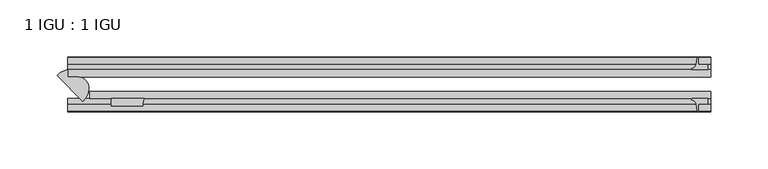
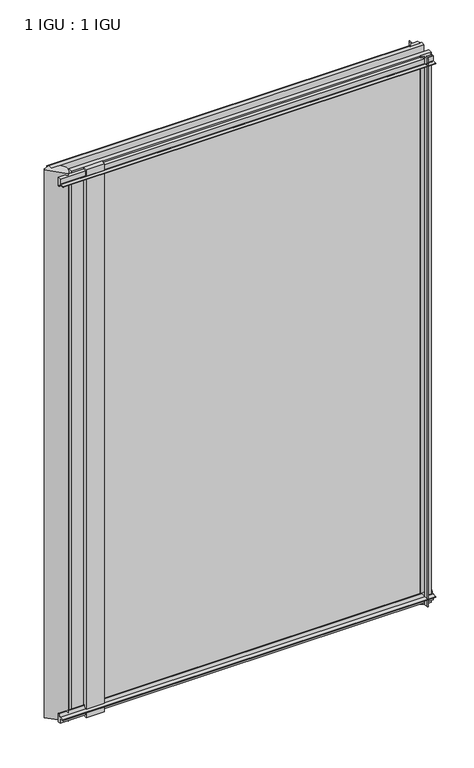
"""IFC4 building model written with IfcOpenShell, lengths in millimetres: plate geometry, 1 IGU : 1 IGU."""

from ifc_helpers import new_model, si_unit, point, frame, frame_2d, origin, place, context, project, spatial, polyline, circle_curve, ellipse_curve, trimmed, segment, composite_curve, outline, extrude, source, transform, mapped, element, save
from ifc_brep_helpers import plane_surface, cylinder_surface, extruded_surface, advanced_brep


def plate_1_igu_1_igu_2b194533(model_context):
    return source(origin(), model_context, "Body", "SolidModel", [
        advanced_brep(
        [(-270.232059, -21.8797069, -11.1125), (-260.746875, -16.9303084, -11.1125), (-260.746875, -23.2080055, -11.1125), (-251.2925407, -23.2080055, -11.1125), (-247.5109953, -44.6868745, -11.1125), (-270.232059, -21.8797069, 865.1873985), (-247.5109953, -44.6868745, 865.1873985), (-251.2925407, -23.2080055, 865.1873985), (-260.746875, -23.2080055, 865.1873985), (-260.746875, -16.9303084, 865.1873985)],
        [
            (0, 1, circle_curve(frame((-257.6052247, -34.514619, -11.1125), z_axis=(0.0, 0.0, -1.0), x_axis=(1.0, 0.0, 0.0)), 17.862753)),
            (1, 2),
            (2, 3),
            (3, 4, ellipse_curve(frame((-255.6412331, -36.416321, -11.1125), z_axis=(0.0, 0.0, -1.0), x_axis=(-0.7071067811865471, -0.7071067811865479, 0.0)), 14.7521974, 11.597373)),
            (4, 0),
            (5, 6),
            (6, 7, ellipse_curve(frame((-255.6412331, -36.416321, 865.1873985), z_axis=(0.0, 0.0, 1.0), x_axis=(-0.7071067811865471, -0.7071067811865479, 0.0)), 14.7521974, 11.597373)),
            (7, 8),
            (8, 9),
            (9, 5, circle_curve(frame((-257.6052247, -34.514619, 865.1873985), z_axis=(0.0, 0.0, 1.0), x_axis=(1.0, 0.0, 0.0)), 17.862753)),
            (0, 5),
            (9, 1),
            (8, 2),
            (7, 3),
            (6, 4),
        ],
        [
            plane_surface(frame((-260.746875, -9.6242187, -11.1125), z_axis=(0.0, 0.0, -1.0), x_axis=(0.0, 1.0, 0.0))),
            plane_surface(frame((-260.746875, -9.6242187, 865.1873985), z_axis=(0.0, 0.0, 1.0), x_axis=(0.0, 1.0, 0.0))),
            cylinder_surface(frame((-257.6052247, -34.514619, -11.1125), z_axis=(0.0, 0.0, -1.0), x_axis=(1.0, 0.0, 0.0)), 17.862753),
            plane_surface(frame((-260.746875, -16.9303084, -11.1125), z_axis=(1.0, 0.0, 0.0), x_axis=(0.0, 0.0, 1.0))),
            plane_surface(frame((-260.746875, -23.2080055, -11.1125), z_axis=(0.0, 1.0, 0.0), x_axis=(0.0, 0.0, 1.0))),
            extruded_surface(trimmed(ellipse_curve(frame((-255.6412331, -36.416321, 865.1873985), z_axis=(0.0, 0.0, -1.0), x_axis=(-0.7071067811865471, -0.7071067811865479, 0.0)), 14.7521974, 11.597373), [point((-251.2925407, -23.2080055, 865.1873985))], [point((-247.5109953, -44.6868745, 865.1873985))], True, "CARTESIAN"), (0.0, 0.0, -876.2998984999999), 876.2998984999999),
            plane_surface(frame((-247.5109953, -44.6868745, -11.1125), z_axis=(-0.7084428097060248, -0.7057682235520618, 0.0), x_axis=(0.0, 0.0, 1.0))),
        ],
        [
            (0, [[1, 2, 3, 4, 5]]),
            (1, [[6, 7, 8, 9, 10]]),
            (2, [[-1, 11, -10, 12]]),
            (3, [[-2, -12, -9, 13]]),
            (4, [[-3, -13, -8, 14]]),
            (5, [[-4, -14, -7, 15]]),
            (6, [[-5, -15, -6, -11]]),
        ],
    ),
        extrude(outline(composite_curve([segment(polyline([(-42.3267187, -8.2068385), (-47.0892187, -8.2068385), (-47.0892187, 0.0), (-53.563779, 0.0)]), True, "CONTINUOUS"), segment(trimmed(circle_curve(frame_2d((-53.0328134, 0.3482823)), 0.635), [point((-53.563779, 0.0))], [point((-53.0575397, 0.9828007))], False, "CARTESIAN"), True, "CONTINUOUS"), segment(trimmed(circle_curve(frame_2d((-54.2310045, 31.0958559)), 30.1359106), [point((-53.0575397, 0.9828007))], [point((-47.0834032, 1.8198434))], True, "CARTESIAN"), True, "CONTINUOUS"), segment(trimmed(circle_curve(frame_2d((-48.2159797, 6.4587878)), 4.7752), [point((-47.0834032, 1.8198434))], [point((-43.578416, 5.3205707))], True, "CARTESIAN"), True, "CONTINUOUS"), segment(trimmed(circle_curve(frame_2d((-42.9617187, 5.169212)), 0.635), [point((-43.578416, 5.3205707))], [point((-42.3267187, 5.169212))], False, "CARTESIAN"), True, "CONTINUOUS"), segment(polyline([(-42.3267187, 5.169212), (-42.3267187, -8.2068385)]), True, "CONTINUOUS")], self_intersect=False)), frame((-260.746875, 0.0, 0.0), z_axis=(1.0, 0.0, 0.0), x_axis=(0.0, 1.0, 0.0)), (0.0, 0.0, 1.0), 563.959375),
        extrude(outline(composite_curve([segment(polyline([(-16.9267187, -8.2068385), (-16.9267187, 5.169212)]), True, "CONTINUOUS"), segment(trimmed(circle_curve(frame_2d((-16.2917187, 5.169212)), 0.635), [point((-16.9267187, 5.169212))], [point((-15.6750215, 5.3205707))], False, "CARTESIAN"), True, "CONTINUOUS"), segment(trimmed(circle_curve(frame_2d((-11.0374578, 6.4587878)), 4.7752), [point((-15.6750215, 5.3205707))], [point((-12.1700343, 1.8198434))], True, "CARTESIAN"), True, "CONTINUOUS"), segment(trimmed(circle_curve(frame_2d((-5.022433, 31.0958559)), 30.1359106), [point((-12.1700343, 1.8198434))], [point((-6.1958978, 0.9828007))], True, "CARTESIAN"), True, "CONTINUOUS"), segment(trimmed(circle_curve(frame_2d((-6.2206241, 0.3482823)), 0.635), [point((-6.1958978, 0.9828007))], [point((-5.6896585, 0.0))], False, "CARTESIAN"), True, "CONTINUOUS"), segment(polyline([(-5.6896585, 0.0), (-12.1642187, 0.0), (-12.1642187, -8.2068385), (-16.9267187, -8.2068385)]), True, "CONTINUOUS")], self_intersect=False)), frame((-260.746875, 0.0, 0.0), z_axis=(1.0, 0.0, 0.0), x_axis=(0.0, 1.0, 0.0)), (0.0, 0.0, 1.0), 563.959375),
        extrude(outline(composite_curve([segment(polyline([(-47.0892188, 854.0748985), (-47.0892188, 862.281737), (-42.3267188, 862.281737), (-42.3267188, 848.9056865)]), True, "CONTINUOUS"), segment(trimmed(circle_curve(frame_2d((-42.9617187, 848.9056865)), 0.635), [point((-42.3267188, 848.9056865))], [point((-43.578416, 848.7543278))], False, "CARTESIAN"), True, "CONTINUOUS"), segment(trimmed(circle_curve(frame_2d((-48.2159797, 847.6161107)), 4.7752), [point((-43.578416, 848.7543278))], [point((-47.0834032, 852.2550551))], True, "CARTESIAN"), True, "CONTINUOUS"), segment(trimmed(circle_curve(frame_2d((-54.2310045, 822.9790426)), 30.1359106), [point((-47.0834032, 852.2550551))], [point((-53.0575397, 853.0920978))], True, "CARTESIAN"), True, "CONTINUOUS"), segment(trimmed(circle_curve(frame_2d((-53.0328134, 853.7266162)), 0.635), [point((-53.0575397, 853.0920978))], [point((-53.563779, 854.0748985))], False, "CARTESIAN"), True, "CONTINUOUS"), segment(polyline([(-53.563779, 854.0748985), (-47.0892188, 854.0748985)]), True, "CONTINUOUS")], self_intersect=False)), frame((-260.746875, 0.0, 0.0), z_axis=(1.0, 0.0, 0.0), x_axis=(0.0, 1.0, 0.0)), (0.0, 0.0, 1.0), 563.959375),
        extrude(outline(composite_curve([segment(polyline([(-12.1642187, 854.0748985), (-5.6896585, 854.0748985)]), True, "CONTINUOUS"), segment(trimmed(circle_curve(frame_2d((-6.2206241, 853.7266162)), 0.635), [point((-5.6896585, 854.0748985))], [point((-6.1958978, 853.0920978))], False, "CARTESIAN"), True, "CONTINUOUS"), segment(trimmed(circle_curve(frame_2d((-5.022433, 822.9790426)), 30.1359106), [point((-6.1958978, 853.0920978))], [point((-12.1700343, 852.2550551))], True, "CARTESIAN"), True, "CONTINUOUS"), segment(trimmed(circle_curve(frame_2d((-11.0374578, 847.6161107)), 4.7752), [point((-12.1700343, 852.2550551))], [point((-15.6750215, 848.7543278))], True, "CARTESIAN"), True, "CONTINUOUS"), segment(trimmed(circle_curve(frame_2d((-16.2917188, 848.9056865)), 0.635), [point((-15.6750215, 848.7543278))], [point((-16.9267188, 848.9056865))], False, "CARTESIAN"), True, "CONTINUOUS"), segment(polyline([(-16.9267188, 848.9056865), (-16.9267187, 862.281737), (-12.1642187, 862.281737), (-12.1642187, 854.0748985)]), True, "CONTINUOUS")], self_intersect=False)), frame((-260.746875, 0.0, 0.0), z_axis=(1.0, 0.0, 0.0), x_axis=(0.0, 1.0, 0.0)), (0.0, 0.0, 1.0), 563.959375),
        extrude(outline(composite_curve([segment(trimmed(circle_curve(frame_2d((-183.5000987, -48.2428298)), 11.7661971), [point((-193.6707931, -42.3267187))], [point((-195.2582931, -48.6767187))], True, "CARTESIAN"), True, "CONTINUOUS"), segment(polyline([(-195.2582931, -48.6767187), (-222.646875, -48.6767187), (-222.646875, -42.3267187), (-193.6707931, -42.3267187)]), True, "CONTINUOUS")], self_intersect=False)), frame((0.0, 0.0, -11.1125), z_axis=(0.0, 0.0, 1.0), x_axis=(1.0, 0.0, 0.0)), (0.0, 0.0, 1.0), 876.2998985),
        extrude(outline(composite_curve([segment(polyline([(292.1, -5.6896585), (292.1, -12.1642188), (300.3068385, -12.1642188), (300.3068385, -16.9267187), (286.930788, -16.9267187)]), True, "CONTINUOUS"), segment(trimmed(circle_curve(frame_2d((286.930788, -16.2917188)), 0.635), [point((286.930788, -16.9267187))], [point((286.7794293, -15.6750215))], False, "CARTESIAN"), True, "CONTINUOUS"), segment(trimmed(circle_curve(frame_2d((285.6412122, -11.0374578)), 4.7752), [point((286.7794293, -15.6750215))], [point((290.2801566, -12.1700343))], True, "CARTESIAN"), True, "CONTINUOUS"), segment(trimmed(circle_curve(frame_2d((261.0041441, -5.022433)), 30.1359106), [point((290.2801566, -12.1700343))], [point((291.1171993, -6.1958978))], True, "CARTESIAN"), True, "CONTINUOUS"), segment(trimmed(circle_curve(frame_2d((291.7517177, -6.2206241)), 0.635), [point((291.1171993, -6.1958978))], [point((292.1, -5.6896585))], False, "CARTESIAN"), True, "CONTINUOUS")], self_intersect=False)), frame((0.0, 0.0, -11.1125), z_axis=(0.0, 0.0, 1.0), x_axis=(1.0, 0.0, 0.0)), (0.0, 0.0, 1.0), 876.2998985),
        extrude(outline(composite_curve([segment(trimmed(circle_curve(frame_2d((291.7517177, -53.0328134)), 0.635), [point((292.1, -53.563779))], [point((291.1171993, -53.0575397))], False, "CARTESIAN"), True, "CONTINUOUS"), segment(trimmed(circle_curve(frame_2d((261.0041441, -54.2310045)), 30.1359106), [point((291.1171993, -53.0575397))], [point((290.2801566, -47.0834032))], True, "CARTESIAN"), True, "CONTINUOUS"), segment(trimmed(circle_curve(frame_2d((285.6412122, -48.2159797)), 4.7752), [point((290.2801566, -47.0834032))], [point((286.7794293, -43.578416))], True, "CARTESIAN"), True, "CONTINUOUS"), segment(trimmed(circle_curve(frame_2d((286.930788, -42.9617187)), 0.635), [point((286.7794293, -43.578416))], [point((286.930788, -42.3267187))], False, "CARTESIAN"), True, "CONTINUOUS"), segment(polyline([(286.930788, -42.3267187), (300.3068385, -42.3267188), (300.3068385, -47.0892188), (292.1, -47.0892188), (292.1, -53.563779)]), True, "CONTINUOUS")], self_intersect=False)), frame((0.0, 0.0, -11.1125), z_axis=(0.0, 0.0, 1.0), x_axis=(1.0, 0.0, 0.0)), (0.0, 0.0, 1.0), 876.2998985),
        extrude(outline(polyline([(303.2125, -16.9267187), (303.2125, -23.2259187), (-260.746875, -23.2259187), (-260.746875, -16.9267187), (303.2125, -16.9267187)])), frame((0.0, 0.0, -11.1125), z_axis=(0.0, 0.0, 1.0), x_axis=(1.0, 0.0, 0.0)), (0.0, 0.0, 1.0), 876.2998985),
        extrude(outline(polyline([(303.2125, -36.0275187), (303.2125, -42.3267187), (-241.696875, -42.3267187), (-241.696875, -36.0275187), (303.2125, -36.0275187)])), frame((0.0, 0.0, -11.1125), z_axis=(0.0, 0.0, 1.0), x_axis=(1.0, 0.0, 0.0)), (0.0, 0.0, 1.0), 876.2998985),
    ])


if __name__ == "__main__":
    model = new_model("IFC4")
    model_context = context("Model", 3, world=origin())
    ifc_project = project(units=[si_unit("LENGTHUNIT", "METRE", prefix="MILLI")], contexts=[model_context])
    site = spatial("IfcSite", under=ifc_project)
    building = spatial("IfcBuilding", under=site)
    placement = place(None, origin())
    plate_1_igu_1_igu_shape = plate_1_igu_1_igu_2b194533(model_context)
    element("IfcPlate", 1, ObjectType="1 IGU : 1 IGU", at=placement, inside=building, context=model_context, shape_type="MappedRepresentation", body=[
        mapped(plate_1_igu_1_igu_shape, transform((0.0, 0.0, 0.0), x_axis=(1.0, 0.0, 0.0), y_axis=(0.0, 1.0, 0.0), z_axis=(0.0, 0.0, 1.0))),
    ])
    save(model, "model.ifc")
